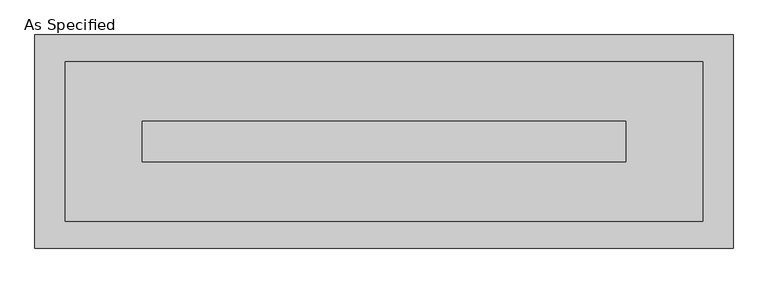
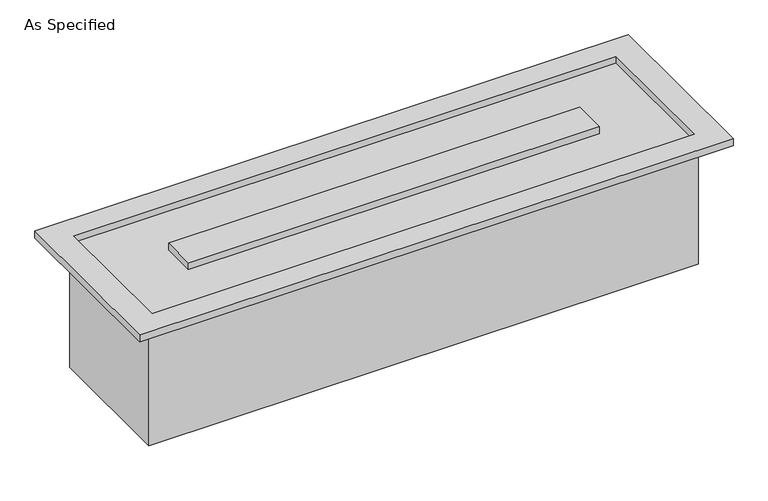
"""IFC4 building model written with IfcOpenShell, lengths in millimetres: proxy geometry, As Specified."""

from ifc_helpers import new_model, si_unit, origin, place, context, project, spatial, faceted_brep, source, transform, mapped, element, save


def as_specified_50707a22(model_context):
    return source(origin(), model_context, "Body", "Brep", [
        faceted_brep([(611.1875, 152.4, -292.1), (611.1875, -152.4, -292.1), (-611.1875, -152.4, -292.1), (-611.1875, 152.4, -292.1), (603.2499926, -150.812509, 0.0), (603.2499926, 150.8125043, 0.0), (-603.2499937, 150.8125043, 0.0), (-603.2499937, -150.812509, 0.0), (-457.2000025, 38.0999981, 0.0), (457.2000013, 38.0999981, 0.0), (457.2000013, -38.1000028, 0.0), (-457.2000025, -38.1000028, 0.0), (-611.1875, 152.4, 0.0), (611.1875, 152.4, 0.0), (-611.1875, -152.4, 0.0), (611.1875, -152.4, 0.0), (660.4, 201.6125, 15.875), (-660.4, 201.6125, 15.875), (-660.4, -201.6125, 15.875), (660.4, -201.6125, 15.875), (603.2499926, 150.8125043, 15.875), (603.2499926, -150.812509, 15.875), (-603.2499937, -150.812509, 15.875), (-603.2499937, 150.8125043, 15.875), (457.2000013, 38.0999981, 15.875), (-457.2000025, 38.0999981, 15.875), (-457.2000025, -38.1000028, 15.875), (457.2000013, -38.1000028, 15.875), (660.4, 201.6125, 0.0), (660.4, -201.6125, 0.0), (-660.4, -201.6125, 0.0), (-660.4, 201.6125, 0.0)], [[[0, 1, 2, 3]], [[4, 5, 6, 7], [8, 9, 10, 11]], [[0, 3, 12, 13]], [[3, 2, 14, 12]], [[2, 1, 15, 14]], [[1, 0, 13, 15]], [[16, 17, 18, 19], [20, 21, 22, 23]], [[24, 25, 26, 27]], [[28, 29, 30, 31], [13, 12, 14, 15]], [[17, 16, 28, 31]], [[18, 17, 31, 30]], [[19, 18, 30, 29]], [[16, 19, 29, 28]], [[21, 20, 5, 4]], [[22, 21, 4, 7]], [[23, 22, 7, 6]], [[20, 23, 6, 5]], [[25, 24, 9, 8]], [[26, 25, 8, 11]], [[27, 26, 11, 10]], [[24, 27, 10, 9]]]),
    ])


if __name__ == "__main__":
    model = new_model("IFC4")
    model_context = context("Model", 3, world=origin())
    ifc_project = project(units=[si_unit("LENGTHUNIT", "METRE", prefix="MILLI")], contexts=[model_context])
    site = spatial("IfcSite", under=ifc_project)
    building = spatial("IfcBuilding", under=site)
    placement = place(None, origin())
    as_specified_shape = as_specified_50707a22(model_context)
    element("IfcBuildingElementProxy", 1, Name="As Specified", ObjectType="As Specified", at=placement, inside=building, context=model_context, shape_type="MappedRepresentation", body=[
        mapped(as_specified_shape, transform((0.0, 0.0, 0.0), x_axis=(1.0, 0.0, 0.0), y_axis=(0.0, 1.0, 0.0), z_axis=(0.0, 0.0, 1.0))),
    ])
    save(model, "model.ifc")
